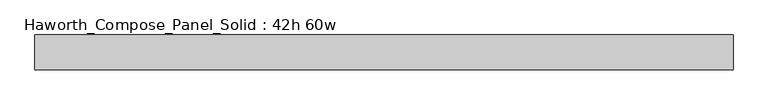
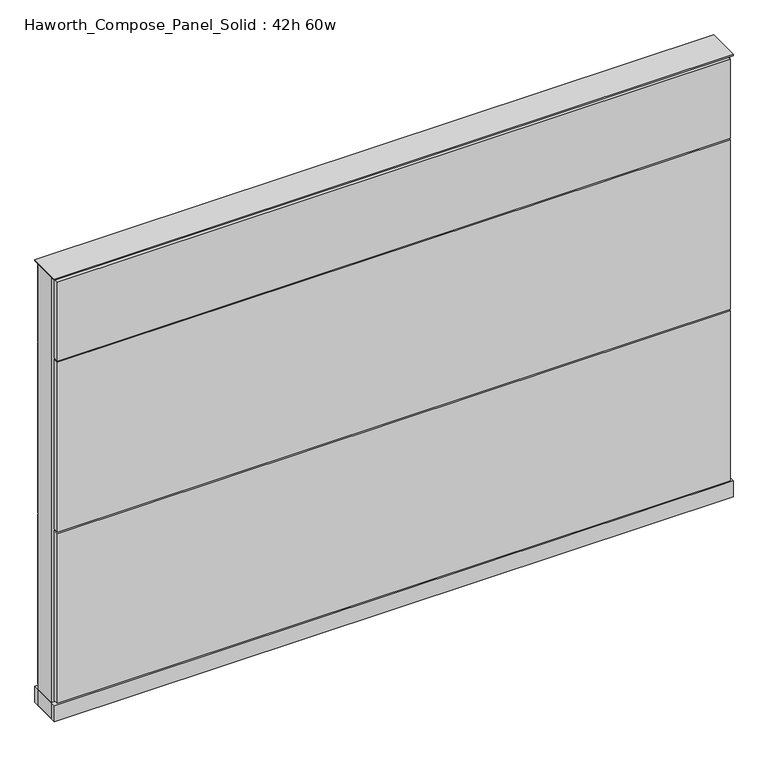
"""IFC4 building model written with IfcOpenShell, lengths in millimetres: furniture geometry, Haworth_Compose_Panel_Solid : 42h 60w."""

from ifc_helpers import new_model, si_unit, point, frame, frame_2d, origin, origin_with_axes, place, context, project, spatial, polyline, circle_curve, trimmed, segment, composite_curve, outline, extrude, source, transform, mapped, element, save


def haworth_compose_panel_solid_42h_60w_a4387fbf(model_context):
    return source(origin(), model_context, "Body", "SweptSolid", [
        extrude(outline(composite_curve([segment(trimmed(circle_curve(frame_2d((-683.3597098, 0.0)), 12.7), [point((-696.0597098, 0.0))], [point((-670.6597098, 0.0))], False, "CARTESIAN"), True, "CONTINUOUS"), segment(trimmed(circle_curve(frame_2d((-683.3597098, 0.0)), 12.7), [point((-670.6597098, 0.0))], [point((-696.0597098, 0.0))], False, "CARTESIAN"), True, "CONTINUOUS")], self_intersect=False)), origin_with_axes(), (0.0, 0.0, 1.0), 12.7),
        extrude(outline(composite_curve([segment(trimmed(circle_curve(frame_2d((688.2402902, 0.0)), 12.7), [point((675.5402902, 0.0))], [point((700.9402902, 0.0))], False, "CARTESIAN"), True, "CONTINUOUS"), segment(trimmed(circle_curve(frame_2d((688.2402902, 0.0)), 12.7), [point((700.9402902, 0.0))], [point((675.5402902, 0.0))], False, "CARTESIAN"), True, "CONTINUOUS")], self_intersect=False)), origin_with_axes(), (0.0, 0.0, 1.0), 12.7),
        extrude(outline(polyline([(758.0902902, 38.1), (758.0902902, 25.4), (-753.2097098, 25.4), (-753.2097098, 38.1), (758.0902902, 38.1)])), frame((0.0, 0.0, 866.775), z_axis=(0.0, 0.0, 1.0), x_axis=(1.0, 0.0, 0.0)), (0.0, 0.0, 1.0), 187.325),
        extrude(outline(polyline([(758.0902902, 38.1), (758.0902902, 25.4), (-753.2097098, 25.4), (-753.2097098, 38.1), (758.0902902, 38.1)])), frame((0.0, 0.0, 460.375), z_axis=(0.0, 0.0, 1.0), x_axis=(1.0, 0.0, 0.0)), (0.0, 0.0, 1.0), 403.225),
        extrude(outline(polyline([(758.0902902, 38.1), (758.0902902, 25.4), (-753.2097098, 25.4), (-753.2097098, 38.1), (758.0902902, 38.1)])), frame((0.0, 0.0, 53.975), z_axis=(0.0, 0.0, 1.0), x_axis=(1.0, 0.0, 0.0)), (0.0, 0.0, 1.0), 403.225),
        extrude(outline(polyline([(758.0902902, -38.1), (-753.2097098, -38.1), (-753.2097098, -25.4), (758.0902902, -25.4), (758.0902902, -38.1)])), frame((0.0, 0.0, 866.775), z_axis=(0.0, 0.0, 1.0), x_axis=(1.0, 0.0, 0.0)), (0.0, 0.0, 1.0), 187.325),
        extrude(outline(polyline([(758.0902902, -38.1), (-753.2097098, -38.1), (-753.2097098, -25.4), (758.0902902, -25.4), (758.0902902, -38.1)])), frame((0.0, 0.0, 460.375), z_axis=(0.0, 0.0, 1.0), x_axis=(1.0, 0.0, 0.0)), (0.0, 0.0, 1.0), 403.225),
        extrude(outline(polyline([(758.0902902, -38.1), (-753.2097098, -38.1), (-753.2097098, -25.4), (758.0902902, -25.4), (758.0902902, -38.1)])), frame((0.0, 0.0, 53.975), z_axis=(0.0, 0.0, 1.0), x_axis=(1.0, 0.0, 0.0)), (0.0, 0.0, 1.0), 403.225),
        extrude(outline(polyline([(764.4402902, 25.4), (764.4402902, -25.4), (-759.5597098, -25.4), (-759.5597098, 25.4), (764.4402902, 25.4)])), frame((0.0, 0.0, 12.7), z_axis=(0.0, 0.0, 1.0), x_axis=(1.0, 0.0, 0.0)), (0.0, 0.0, 1.0), 1047.75),
        extrude(outline(polyline([(-759.5597098, -38.1), (-759.5597098, 38.1), (764.4402902, 38.1), (764.4402902, -38.1), (-759.5597098, -38.1)])), frame((0.0, 0.0, 12.7), z_axis=(0.0, 0.0, 1.0), x_axis=(1.0, 0.0, 0.0)), (0.0, 0.0, 1.0), 38.1),
        extrude(outline(polyline([(-759.5597098, -38.1), (-759.5597098, 38.1), (764.4402902, 38.1), (764.4402902, -38.1), (-759.5597098, -38.1)])), frame((0.0, 0.0, 1060.45), z_axis=(0.0, 0.0, 1.0), x_axis=(1.0, 0.0, 0.0)), (0.0, 0.0, 1.0), 3.175),
    ])


if __name__ == "__main__":
    model = new_model("IFC4")
    model_context = context("Model", 3, world=origin())
    ifc_project = project(units=[si_unit("LENGTHUNIT", "METRE", prefix="MILLI")], contexts=[model_context])
    site = spatial("IfcSite", under=ifc_project)
    building = spatial("IfcBuilding", under=site)
    placement = place(None, origin())
    haworth_compose_panel_solid_42h_60w_shape = haworth_compose_panel_solid_42h_60w_a4387fbf(model_context)
    element("IfcFurniture", 1, ObjectType="Haworth_Compose_Panel_Solid : 42h 60w", at=placement, inside=building, context=model_context, shape_type="MappedRepresentation", body=[
        mapped(haworth_compose_panel_solid_42h_60w_shape, transform((0.0, 0.0, 0.0), x_axis=(1.0, 0.0, 0.0), y_axis=(0.0, 1.0, 0.0), z_axis=(0.0, 0.0, 1.0))),
    ])
    save(model, "model.ifc")
